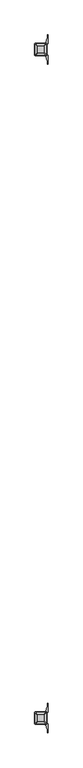
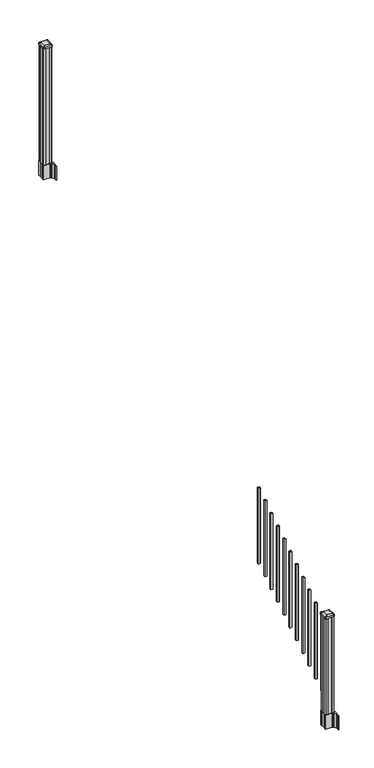
"""IFC4 building model written with IfcOpenShell, lengths in millimetres: railing geometry."""

from ifc_helpers import new_model, si_unit, point, frame, frame_2d, origin, place, context, project, spatial, polyline, circle_curve, trimmed, segment, composite_curve, outline, extrude, source, transform, mapped, element, save
from ifc_brep_helpers import plane_surface, extruded_surface, advanced_brep


def railing_0bd513e0(model_context):
    return source(origin(), model_context, "Body", "SolidModel", [
        extrude(outline(polyline([(10215.1833284, -6514.5004681), (10215.1833284, -6495.4504681), (10234.2333284, -6495.4504681), (10234.2333284, -6514.5004681), (10215.1833284, -6514.5004681)]), holes=[polyline([(10215.5802034, -6514.1035931), (10233.8364534, -6514.1035931), (10233.8364534, -6495.8473431), (10215.5802034, -6495.8473431), (10215.5802034, -6514.1035931)])]), frame((0.0, 0.0, 1020.1233781), z_axis=(0.0, 0.0, 1.0), x_axis=(1.0, 0.0, 0.0)), (0.0, 0.0, 1.0), 812.8041219),
        extrude(outline(polyline([(10215.1833284, -6625.7524681), (10215.1833284, -6606.7024681), (10234.2333284, -6606.7024681), (10234.2333284, -6625.7524681), (10215.1833284, -6625.7524681)]), holes=[polyline([(10215.5802034, -6625.3555931), (10233.8364534, -6625.3555931), (10233.8364534, -6607.0993431), (10215.5802034, -6607.0993431), (10215.5802034, -6625.3555931)])]), frame((0.0, 0.0, 950.5908781), z_axis=(0.0, 0.0, 1.0), x_axis=(1.0, 0.0, 0.0)), (0.0, 0.0, 1.0), 812.8041219),
        extrude(outline(polyline([(10215.1833284, -6737.0044681), (10215.1833284, -6717.9544681), (10234.2333284, -6717.9544681), (10234.2333284, -6737.0044681), (10215.1833284, -6737.0044681)]), holes=[polyline([(10215.5802034, -6736.6075931), (10233.8364534, -6736.6075931), (10233.8364534, -6718.3513431), (10215.5802034, -6718.3513431), (10215.5802034, -6736.6075931)])]), frame((0.0, 0.0, 881.0583781), z_axis=(0.0, 0.0, 1.0), x_axis=(1.0, 0.0, 0.0)), (0.0, 0.0, 1.0), 812.8041219),
        extrude(outline(polyline([(10215.1833284, -6848.2564681), (10215.1833284, -6829.2064681), (10234.2333284, -6829.2064681), (10234.2333284, -6848.2564681), (10215.1833284, -6848.2564681)]), holes=[polyline([(10215.5802034, -6847.8595931), (10233.8364534, -6847.8595931), (10233.8364534, -6829.6033431), (10215.5802034, -6829.6033431), (10215.5802034, -6847.8595931)])]), frame((0.0, 0.0, 811.5258781), z_axis=(0.0, 0.0, 1.0), x_axis=(1.0, 0.0, 0.0)), (0.0, 0.0, 1.0), 812.8041219),
        extrude(outline(polyline([(10215.1833284, -6959.5084681), (10215.1833284, -6940.4584681), (10234.2333284, -6940.4584681), (10234.2333284, -6959.5084681), (10215.1833284, -6959.5084681)]), holes=[polyline([(10215.5802034, -6959.1115931), (10233.8364534, -6959.1115931), (10233.8364534, -6940.8553431), (10215.5802034, -6940.8553431), (10215.5802034, -6959.1115931)])]), frame((0.0, 0.0, 741.9933781), z_axis=(0.0, 0.0, 1.0), x_axis=(1.0, 0.0, 0.0)), (0.0, 0.0, 1.0), 812.8041219),
        extrude(outline(polyline([(10215.1833284, -7070.7604681), (10215.1833284, -7051.7104681), (10234.2333284, -7051.7104681), (10234.2333284, -7070.7604681), (10215.1833284, -7070.7604681)]), holes=[polyline([(10215.5802034, -7070.3635931), (10233.8364534, -7070.3635931), (10233.8364534, -7052.1073431), (10215.5802034, -7052.1073431), (10215.5802034, -7070.3635931)])]), frame((0.0, 0.0, 672.4608781), z_axis=(0.0, 0.0, 1.0), x_axis=(1.0, 0.0, 0.0)), (0.0, 0.0, 1.0), 812.8041219),
        extrude(outline(polyline([(10215.1833284, -7182.0124681), (10215.1833284, -7162.9624681), (10234.2333284, -7162.9624681), (10234.2333284, -7182.0124681), (10215.1833284, -7182.0124681)]), holes=[polyline([(10215.5802034, -7181.6155931), (10233.8364534, -7181.6155931), (10233.8364534, -7163.3593431), (10215.5802034, -7163.3593431), (10215.5802034, -7181.6155931)])]), frame((0.0, 0.0, 602.9283781), z_axis=(0.0, 0.0, 1.0), x_axis=(1.0, 0.0, 0.0)), (0.0, 0.0, 1.0), 812.8041219),
        extrude(outline(polyline([(10215.1833284, -7293.2644681), (10215.1833284, -7274.2144681), (10234.2333284, -7274.2144681), (10234.2333284, -7293.2644681), (10215.1833284, -7293.2644681)]), holes=[polyline([(10215.5802034, -7292.8675931), (10233.8364534, -7292.8675931), (10233.8364534, -7274.6113431), (10215.5802034, -7274.6113431), (10215.5802034, -7292.8675931)])]), frame((0.0, 0.0, 533.3958781), z_axis=(0.0, 0.0, 1.0), x_axis=(1.0, 0.0, 0.0)), (0.0, 0.0, 1.0), 812.8041219),
        extrude(outline(polyline([(10215.1833284, -7404.5164681), (10215.1833284, -7385.4664681), (10234.2333284, -7385.4664681), (10234.2333284, -7404.5164681), (10215.1833284, -7404.5164681)]), holes=[polyline([(10215.5802034, -7404.1195931), (10233.8364534, -7404.1195931), (10233.8364534, -7385.8633431), (10215.5802034, -7385.8633431), (10215.5802034, -7404.1195931)])]), frame((0.0, 0.0, 463.8633781), z_axis=(0.0, 0.0, 1.0), x_axis=(1.0, 0.0, 0.0)), (0.0, 0.0, 1.0), 812.8041219),
        extrude(outline(polyline([(10215.1833284, -7515.7684681), (10215.1833284, -7496.7184681), (10234.2333284, -7496.7184681), (10234.2333284, -7515.7684681), (10215.1833284, -7515.7684681)]), holes=[polyline([(10215.5802034, -7515.3715931), (10233.8364534, -7515.3715931), (10233.8364534, -7497.1153431), (10215.5802034, -7497.1153431), (10215.5802034, -7515.3715931)])]), frame((0.0, 0.0, 394.3308781), z_axis=(0.0, 0.0, 1.0), x_axis=(1.0, 0.0, 0.0)), (0.0, 0.0, 1.0), 812.8041219),
        extrude(outline(polyline([(10215.1833284, -7627.0204681), (10215.1833284, -7607.9704681), (10234.2333284, -7607.9704681), (10234.2333284, -7627.0204681), (10215.1833284, -7627.0204681)]), holes=[polyline([(10215.5802034, -7626.6235931), (10233.8364534, -7626.6235931), (10233.8364534, -7608.3673431), (10215.5802034, -7608.3673431), (10215.5802034, -7626.6235931)])]), frame((0.0, 0.0, 324.7983781), z_axis=(0.0, 0.0, 1.0), x_axis=(1.0, 0.0, 0.0)), (0.0, 0.0, 1.0), 812.8041219),
        extrude(outline(polyline([(10264.3958284, -2792.8924681), (10244.7743284, -2792.8924681), (10244.0123284, -2791.3049681), (10205.4043284, -2791.3049681), (10204.6423284, -2792.8924681), (10185.0208284, -2792.8924681), (10183.4333284, -2791.3049681), (10183.4333284, -2771.6834681), (10185.0208284, -2770.9214681), (10185.0208284, -2732.3134681), (10183.4333284, -2731.5514681), (10183.4333284, -2711.9299681), (10185.0208284, -2710.3424681), (10204.6423284, -2710.3424681), (10205.4043284, -2711.9299681), (10244.0123284, -2711.9299681), (10244.7743284, -2710.3424681), (10264.3958284, -2710.3424681), (10265.9833284, -2711.9299681), (10265.9833284, -2731.5514681), (10264.3958284, -2732.3134681), (10264.3958284, -2770.9214681), (10265.9833284, -2771.6834681), (10265.9833284, -2791.3049681), (10264.3958284, -2792.8924681)])), frame((0.0, 0.0, 3048.0), z_axis=(0.0, 0.0, 1.0), x_axis=(1.0, 0.0, 0.0)), (0.0, 0.0, 1.0), 1247.740513),
        extrude(outline(composite_curve([segment(polyline([(10181.9728284, -2769.003563), (10181.9728284, -2734.2313732), (10180.3853284, -2733.4693732), (10180.3853284, -2710.6674452), (10183.7583054, -2707.2944681), (10245.2179763, -2707.2944681), (10245.2179763, -2706.3737181), (10250.5355201, -2706.3737181), (10250.5355201, -2704.9194634), (10255.6200498, -2704.9194634), (10255.6200498, -2703.6354396), (10257.2873221, -2703.6354396)]), True, "CONTINUOUS"), segment(trimmed(circle_curve(frame_2d((10257.2873221, -2696.5759797)), 7.0594599), [point((10257.2873221, -2703.6354396))], [point((10264.0545849, -2698.5859864))], True, "CARTESIAN"), True, "CONTINUOUS"), segment(polyline([(10264.0545849, -2698.5859864), (10271.9287792, -2672.0752573)]), True, "CONTINUOUS"), segment(trimmed(circle_curve(frame_2d((10217.1442659, -2655.8032076)), 57.15), [point((10271.9287792, -2672.0752573))], [point((10274.2942659, -2655.8032076))], True, "CARTESIAN"), True, "CONTINUOUS"), segment(polyline([(10274.2942659, -2655.8032076), (10274.2942659, -2643.7944681), (10277.2942659, -2643.7944681), (10277.2942659, -2708.8819681), (10269.0313284, -2720.2202594), (10269.0313284, -2733.4693732), (10267.4438284, -2734.2313732), (10267.4438284, -2769.003563), (10269.0313284, -2769.765563), (10269.0313284, -2783.0146768), (10277.2942659, -2794.3529681), (10277.2942659, -2859.4404681), (10274.2942659, -2859.4404681), (10274.2942659, -2847.4317285)]), True, "CONTINUOUS"), segment(trimmed(circle_curve(frame_2d((10217.1442659, -2847.4317285)), 57.15), [point((10274.2942659, -2847.4317285))], [point((10271.9287792, -2831.1596789))], True, "CARTESIAN"), True, "CONTINUOUS"), segment(polyline([(10271.9287792, -2831.1596789), (10264.0545849, -2804.6489498)]), True, "CONTINUOUS"), segment(trimmed(circle_curve(frame_2d((10257.2873221, -2806.6589565)), 7.0594599), [point((10264.0545849, -2804.6489498))], [point((10257.2873221, -2799.5994966))], True, "CARTESIAN"), True, "CONTINUOUS"), segment(polyline([(10257.2873221, -2799.5994966), (10255.6200498, -2799.5994966), (10255.6200498, -2798.3154728), (10250.5355201, -2798.3154728), (10250.5355201, -2796.8612181), (10245.2179763, -2796.8612181), (10245.2179763, -2795.9404681), (10183.7583054, -2795.9404681), (10180.3853284, -2792.567491), (10180.3853284, -2769.765563), (10181.9728284, -2769.003563)]), True, "CONTINUOUS")], self_intersect=False), holes=[polyline([(10265.9833284, -2711.9299681), (10264.3958284, -2710.3424681), (10227.4715458, -2710.3424681), (10185.0208284, -2710.3424681), (10183.4333284, -2711.9299681), (10183.4333284, -2791.3049681), (10185.0208284, -2792.8924681), (10227.4715458, -2792.8924681), (10264.3958284, -2792.8924681), (10265.9833284, -2791.3049681), (10265.9833284, -2711.9299681)])]), frame((0.0, 0.0, 2895.6), z_axis=(0.0, 0.0, 1.0), x_axis=(1.0, 0.0, 0.0)), (0.0, 0.0, 1.0), 152.4),
        advanced_brep(
        [(10250.5052034, -2780.5893431, 4324.315513), (10253.6802034, -2777.4143431, 4324.315513), (10253.6802034, -2725.8205931, 4324.315513), (10250.5052034, -2722.6455931, 4324.315513), (10198.9114534, -2722.6455931, 4324.315513), (10195.7364534, -2725.8205931, 4324.315513), (10195.7364534, -2777.4143431, 4324.315513), (10198.9114534, -2780.5893431, 4324.315513), (10266.7770784, -2796.8612181, 4313.012513), (10182.6395784, -2796.8612181, 4313.012513), (10179.4645784, -2793.6862181, 4313.012513), (10179.4645784, -2709.5487181, 4313.012513), (10182.6395784, -2706.3737181, 4313.012513), (10266.7770784, -2706.3737181, 4313.012513), (10269.9520784, -2709.5487181, 4313.012513), (10269.9520784, -2793.6862181, 4313.012513)],
        [
            (0, 1, circle_curve(frame((10250.5052034, -2777.4143431, 4324.315513), z_axis=(0.0, 0.0, 1.0), x_axis=(0.0, 1.0, 0.0)), 3.175)),
            (1, 2),
            (2, 3, circle_curve(frame((10250.5052034, -2725.8205931, 4324.315513), z_axis=(0.0, 0.0, 1.0), x_axis=(0.0, 1.0, 0.0)), 3.175)),
            (3, 4),
            (4, 5, circle_curve(frame((10198.9114534, -2725.8205931, 4324.315513), z_axis=(0.0, 0.0, 1.0), x_axis=(0.0, 1.0, 0.0)), 3.175)),
            (5, 6),
            (6, 7, circle_curve(frame((10198.9114534, -2777.4143431, 4324.315513), z_axis=(0.0, 0.0, 1.0), x_axis=(0.0, 1.0, 0.0)), 3.175)),
            (7, 0),
            (8, 9),
            (9, 10, circle_curve(frame((10182.6395784, -2793.6862181, 4313.012513), z_axis=(0.0, 0.0, -1.0), x_axis=(0.0, 1.0, 0.0)), 3.175)),
            (10, 11),
            (11, 12, circle_curve(frame((10182.6395784, -2709.5487181, 4313.012513), z_axis=(0.0, 0.0, -1.0), x_axis=(0.0, 1.0, 0.0)), 3.175)),
            (12, 13),
            (13, 14, circle_curve(frame((10266.7770784, -2709.5487181, 4313.012513), z_axis=(0.0, 0.0, -1.0), x_axis=(0.0, 1.0, 0.0)), 3.175)),
            (14, 15),
            (15, 8, circle_curve(frame((10266.7770784, -2793.6862181, 4313.012513), z_axis=(0.0, 0.0, -1.0), x_axis=(0.0, 1.0, 0.0)), 3.175)),
            (15, 1),
            (0, 8),
            (14, 2),
            (13, 3),
            (12, 4),
            (11, 5),
            (10, 6),
            (9, 7),
        ],
        [
            plane_surface(frame((10224.7083284, -2751.6174681, 4324.315513), z_axis=(0.0, 0.0, 1.0), x_axis=(1.0, 0.0, 0.0))),
            plane_surface(frame((10224.7083284, -2751.6174681, 4313.012513), z_axis=(0.0, 0.0, -1.0), x_axis=(1.0, 0.0, 0.0))),
            extruded_surface(trimmed(circle_curve(frame((10266.7770784, -2793.6862181, 4313.012513), z_axis=(0.0, 0.0, 1.0), x_axis=(0.0, 1.0, 0.0)), 3.175), [point((10266.7770784, -2796.8612181, 4313.012513))], [point((10269.9520784, -2793.6862181, 4313.012513))], True, "CARTESIAN"), (-16.271875000000364, 16.27187499999991, 11.302999999999884), 25.637972638866284),
            plane_surface(frame((10269.9520784, -2751.6174681, 4313.012513), z_axis=(0.5705009161540687, 0.0, 0.8212969649690472), x_axis=(0.0, 1.0, 0.0))),
            extruded_surface(trimmed(circle_curve(frame((10266.7770784, -2709.5487181, 4313.012513), z_axis=(0.0, 0.0, 1.0), x_axis=(0.0, 1.0, 0.0)), 3.175), [point((10269.9520784, -2709.5487181, 4313.012513))], [point((10266.7770784, -2706.3737181, 4313.012513))], True, "CARTESIAN"), (-16.271875000000364, -16.271875000000364, 11.302999999999884), 25.63797263886657),
            plane_surface(frame((10224.7083284, -2706.3737181, 4313.012513), z_axis=(0.0, 0.5705009161540291, 0.8212969649690747), x_axis=(-1.0, 0.0, 0.0))),
            extruded_surface(trimmed(circle_curve(frame((10182.6395784, -2709.5487181, 4313.012513), z_axis=(0.0, 0.0, 1.0), x_axis=(0.0, 1.0, 0.0)), 3.175), [point((10182.6395784, -2706.3737181, 4313.012513))], [point((10179.4645784, -2709.5487181, 4313.012513))], True, "CARTESIAN"), (16.271875000000364, -16.271875000000364, 11.302999999999884), 25.63797263886657),
            plane_surface(frame((10179.4645784, -2751.6174681, 4313.012513), z_axis=(-0.5705009161540233, 0.0, 0.8212969649690787), x_axis=(0.0, -1.0, 0.0))),
            extruded_surface(trimmed(circle_curve(frame((10182.6395784, -2793.6862181, 4313.012513), z_axis=(0.0, 0.0, 1.0), x_axis=(0.0, 1.0, 0.0)), 3.175), [point((10179.4645784, -2793.6862181, 4313.012513))], [point((10182.6395784, -2796.8612181, 4313.012513))], True, "CARTESIAN"), (16.271875000000364, 16.27187499999991, 11.302999999999884), 25.637972638866284),
            plane_surface(frame((10224.7083284, -2796.8612181, 4313.012513), z_axis=(0.0, -0.570500916154034, 0.8212969649690713), x_axis=(1.0, 0.0, 0.0))),
        ],
        [
            (0, [[1, 2, 3, 4, 5, 6, 7, 8]]),
            (1, [[9, 10, 11, 12, 13, 14, 15, 16]]),
            (2, [[-16, 17, -1, 18]]),
            (3, [[-15, 19, -2, -17]]),
            (4, [[-14, 20, -3, -19]]),
            (5, [[-13, 21, -4, -20]]),
            (6, [[-12, 22, -5, -21]]),
            (7, [[-11, 23, -6, -22]]),
            (8, [[-10, 24, -7, -23]]),
            (9, [[-9, -18, -8, -24]]),
        ],
    ),
        extrude(outline(composite_curve([segment(polyline([(10266.7770784, -2796.8612181), (10182.6395784, -2796.8612181)]), True, "CONTINUOUS"), segment(trimmed(circle_curve(frame_2d((10182.6395784, -2793.6862181)), 3.175), [point((10182.6395784, -2796.8612181))], [point((10179.4645784, -2793.6862181))], False, "CARTESIAN"), True, "CONTINUOUS"), segment(polyline([(10179.4645784, -2793.6862181), (10179.4645784, -2709.5487181)]), True, "CONTINUOUS"), segment(trimmed(circle_curve(frame_2d((10182.6395784, -2709.5487181)), 3.175), [point((10179.4645784, -2709.5487181))], [point((10182.6395784, -2706.3737181))], False, "CARTESIAN"), True, "CONTINUOUS"), segment(polyline([(10182.6395784, -2706.3737181), (10266.7770784, -2706.3737181)]), True, "CONTINUOUS"), segment(trimmed(circle_curve(frame_2d((10266.7770784, -2709.5487181)), 3.175), [point((10266.7770784, -2706.3737181))], [point((10269.9520784, -2709.5487181))], False, "CARTESIAN"), True, "CONTINUOUS"), segment(polyline([(10269.9520784, -2709.5487181), (10269.9520784, -2793.6862181)]), True, "CONTINUOUS"), segment(trimmed(circle_curve(frame_2d((10266.7770784, -2793.6862181)), 3.175), [point((10269.9520784, -2793.6862181))], [point((10266.7770784, -2796.8612181))], False, "CARTESIAN"), True, "CONTINUOUS")], self_intersect=False)), frame((0.0, 0.0, 4295.740513), z_axis=(0.0, 0.0, 1.0), x_axis=(1.0, 0.0, 0.0)), (0.0, 0.0, 1.0), 17.272),
        extrude(outline(composite_curve([segment(polyline([(10181.9728284, -7728.607563), (10181.9728284, -7693.8353732), (10180.3853284, -7693.0733732), (10180.3853284, -7670.2714452), (10183.7583054, -7666.8984681), (10245.2179763, -7666.8984681), (10245.2179763, -7665.9777181), (10250.5355201, -7665.9777181), (10250.5355201, -7664.5234634), (10255.6200498, -7664.5234634), (10255.6200498, -7663.2394396), (10257.2873221, -7663.2394396)]), True, "CONTINUOUS"), segment(trimmed(circle_curve(frame_2d((10257.2873221, -7656.1799797)), 7.0594599), [point((10257.2873221, -7663.2394396))], [point((10264.0545849, -7658.1899864))], True, "CARTESIAN"), True, "CONTINUOUS"), segment(polyline([(10264.0545849, -7658.1899864), (10271.9287792, -7631.6792573)]), True, "CONTINUOUS"), segment(trimmed(circle_curve(frame_2d((10217.1442659, -7615.4072076)), 57.15), [point((10271.9287792, -7631.6792573))], [point((10274.2942659, -7615.4072076))], True, "CARTESIAN"), True, "CONTINUOUS"), segment(polyline([(10274.2942659, -7615.4072076), (10274.2942659, -7603.3984681), (10277.2942659, -7603.3984681), (10277.2942659, -7668.4859681), (10269.0313284, -7679.8242594), (10269.0313284, -7693.0733732), (10267.4438284, -7693.8353732), (10267.4438284, -7728.607563), (10269.0313284, -7729.369563), (10269.0313284, -7742.6186768), (10277.2942659, -7753.9569681), (10277.2942659, -7819.0444681), (10274.2942659, -7819.0444681), (10274.2942659, -7807.0357285)]), True, "CONTINUOUS"), segment(trimmed(circle_curve(frame_2d((10217.1442659, -7807.0357285)), 57.15), [point((10274.2942659, -7807.0357285))], [point((10271.9287792, -7790.7636789))], True, "CARTESIAN"), True, "CONTINUOUS"), segment(polyline([(10271.9287792, -7790.7636789), (10264.0545849, -7764.2529498)]), True, "CONTINUOUS"), segment(trimmed(circle_curve(frame_2d((10257.2873221, -7766.2629565)), 7.0594599), [point((10264.0545849, -7764.2529498))], [point((10257.2873221, -7759.2034966))], True, "CARTESIAN"), True, "CONTINUOUS"), segment(polyline([(10257.2873221, -7759.2034966), (10255.6200498, -7759.2034966), (10255.6200498, -7757.9194728), (10250.5355201, -7757.9194728), (10250.5355201, -7756.4652181), (10245.2179763, -7756.4652181), (10245.2179763, -7755.5444681), (10183.7583054, -7755.5444681), (10180.3853284, -7752.171491), (10180.3853284, -7729.369563), (10181.9728284, -7728.607563)]), True, "CONTINUOUS")], self_intersect=False), holes=[polyline([(10265.9833284, -7671.5339681), (10264.3958284, -7669.9464681), (10227.4715458, -7669.9464681), (10185.0208284, -7669.9464681), (10183.4333284, -7671.5339681), (10183.4333284, -7750.9089681), (10185.0208284, -7752.4964681), (10227.4715458, -7752.4964681), (10264.3958284, -7752.4964681), (10265.9833284, -7750.9089681), (10265.9833284, -7671.5339681)])]), frame((0.0, 0.0, 12.22375), z_axis=(0.0, 0.0, 1.0), x_axis=(1.0, 0.0, 0.0)), (0.0, 0.0, 1.0), 152.4),
        advanced_brep(
        [(10250.5052034, -7740.1933431, 1224.563013), (10253.6802034, -7737.0183431, 1224.563013), (10253.6802034, -7685.4245931, 1224.563013), (10250.5052034, -7682.2495931, 1224.563013), (10198.9114534, -7682.2495931, 1224.563013), (10195.7364534, -7685.4245931, 1224.563013), (10195.7364534, -7737.0183431, 1224.563013), (10198.9114534, -7740.1933431, 1224.563013), (10266.7770784, -7756.4652181, 1213.260013), (10182.6395784, -7756.4652181, 1213.260013), (10179.4645784, -7753.2902181, 1213.260013), (10179.4645784, -7669.1527181, 1213.260013), (10182.6395784, -7665.9777181, 1213.260013), (10266.7770784, -7665.9777181, 1213.260013), (10269.9520784, -7669.1527181, 1213.260013), (10269.9520784, -7753.2902181, 1213.260013)],
        [
            (0, 1, circle_curve(frame((10250.5052034, -7737.0183431, 1224.563013), z_axis=(0.0, 0.0, 1.0), x_axis=(0.0, 1.0, 0.0)), 3.175)),
            (1, 2),
            (2, 3, circle_curve(frame((10250.5052034, -7685.4245931, 1224.563013), z_axis=(0.0, 0.0, 1.0), x_axis=(0.0, 1.0, 0.0)), 3.175)),
            (3, 4),
            (4, 5, circle_curve(frame((10198.9114534, -7685.4245931, 1224.563013), z_axis=(0.0, 0.0, 1.0), x_axis=(0.0, 1.0, 0.0)), 3.175)),
            (5, 6),
            (6, 7, circle_curve(frame((10198.9114534, -7737.0183431, 1224.563013), z_axis=(0.0, 0.0, 1.0), x_axis=(0.0, 1.0, 0.0)), 3.175)),
            (7, 0),
            (8, 9),
            (9, 10, circle_curve(frame((10182.6395784, -7753.2902181, 1213.260013), z_axis=(0.0, 0.0, -1.0), x_axis=(0.0, 1.0, 0.0)), 3.175)),
            (10, 11),
            (11, 12, circle_curve(frame((10182.6395784, -7669.1527181, 1213.260013), z_axis=(0.0, 0.0, -1.0), x_axis=(0.0, 1.0, 0.0)), 3.175)),
            (12, 13),
            (13, 14, circle_curve(frame((10266.7770784, -7669.1527181, 1213.260013), z_axis=(0.0, 0.0, -1.0), x_axis=(0.0, 1.0, 0.0)), 3.175)),
            (14, 15),
            (15, 8, circle_curve(frame((10266.7770784, -7753.2902181, 1213.260013), z_axis=(0.0, 0.0, -1.0), x_axis=(0.0, 1.0, 0.0)), 3.175)),
            (15, 1),
            (0, 8),
            (14, 2),
            (13, 3),
            (12, 4),
            (11, 5),
            (10, 6),
            (9, 7),
        ],
        [
            plane_surface(frame((10224.7083284, -7711.2214681, 1224.563013), z_axis=(0.0, 0.0, 1.0), x_axis=(1.0, 0.0, 0.0))),
            plane_surface(frame((10224.7083284, -7711.2214681, 1213.260013), z_axis=(0.0, 0.0, -1.0), x_axis=(1.0, 0.0, 0.0))),
            extruded_surface(trimmed(circle_curve(frame((10266.7770784, -7753.2902181, 1213.260013), z_axis=(0.0, 0.0, 1.0), x_axis=(0.0, 1.0, 0.0)), 3.175), [point((10266.7770784, -7756.4652181, 1213.260013))], [point((10269.9520784, -7753.2902181, 1213.260013))], True, "CARTESIAN"), (-16.271875000000364, 16.271875000000364, 11.302999999999884), 25.63797263886657),
            plane_surface(frame((10269.9520784, -7711.2214681, 1213.260013), z_axis=(0.5705009161540778, 0.0, 0.8212969649690408), x_axis=(0.0, 1.0, 0.0))),
            extruded_surface(trimmed(circle_curve(frame((10266.7770784, -7669.1527181, 1213.260013), z_axis=(0.0, 0.0, 1.0), x_axis=(0.0, 1.0, 0.0)), 3.175), [point((10269.9520784, -7669.1527181, 1213.260013))], [point((10266.7770784, -7665.9777181, 1213.260013))], True, "CARTESIAN"), (-16.271875000000364, -16.271874999999454, 11.302999999999884), 25.637972638865996),
            plane_surface(frame((10224.7083284, -7665.9777181, 1213.260013), z_axis=(0.0, 0.5705009161540291, 0.8212969649690747), x_axis=(-1.0, 0.0, 0.0))),
            extruded_surface(trimmed(circle_curve(frame((10182.6395784, -7669.1527181, 1213.260013), z_axis=(0.0, 0.0, 1.0), x_axis=(0.0, 1.0, 0.0)), 3.175), [point((10182.6395784, -7665.9777181, 1213.260013))], [point((10179.4645784, -7669.1527181, 1213.260013))], True, "CARTESIAN"), (16.271875000000364, -16.271874999999454, 11.302999999999884), 25.637972638865996),
            plane_surface(frame((10179.4645784, -7711.2214681, 1213.260013), z_axis=(-0.5705009161540142, 0.0, 0.8212969649690851), x_axis=(0.0, -1.0, 0.0))),
            extruded_surface(trimmed(circle_curve(frame((10182.6395784, -7753.2902181, 1213.260013), z_axis=(0.0, 0.0, 1.0), x_axis=(0.0, 1.0, 0.0)), 3.175), [point((10179.4645784, -7753.2902181, 1213.260013))], [point((10182.6395784, -7756.4652181, 1213.260013))], True, "CARTESIAN"), (16.271875000000364, 16.271875000000364, 11.302999999999884), 25.63797263886657),
            plane_surface(frame((10224.7083284, -7756.4652181, 1213.260013), z_axis=(0.0, -0.570500916154034, 0.8212969649690713), x_axis=(1.0, 0.0, 0.0))),
        ],
        [
            (0, [[1, 2, 3, 4, 5, 6, 7, 8]]),
            (1, [[9, 10, 11, 12, 13, 14, 15, 16]]),
            (2, [[-16, 17, -1, 18]]),
            (3, [[-15, 19, -2, -17]]),
            (4, [[-14, 20, -3, -19]]),
            (5, [[-13, 21, -4, -20]]),
            (6, [[-12, 22, -5, -21]]),
            (7, [[-11, 23, -6, -22]]),
            (8, [[-10, 24, -7, -23]]),
            (9, [[-9, -18, -8, -24]]),
        ],
    ),
        extrude(outline(composite_curve([segment(polyline([(10266.7770784, -7756.4652181), (10182.6395784, -7756.4652181)]), True, "CONTINUOUS"), segment(trimmed(circle_curve(frame_2d((10182.6395784, -7753.2902181)), 3.175), [point((10182.6395784, -7756.4652181))], [point((10179.4645784, -7753.2902181))], False, "CARTESIAN"), True, "CONTINUOUS"), segment(polyline([(10179.4645784, -7753.2902181), (10179.4645784, -7669.1527181)]), True, "CONTINUOUS"), segment(trimmed(circle_curve(frame_2d((10182.6395784, -7669.1527181)), 3.175), [point((10179.4645784, -7669.1527181))], [point((10182.6395784, -7665.9777181))], False, "CARTESIAN"), True, "CONTINUOUS"), segment(polyline([(10182.6395784, -7665.9777181), (10266.7770784, -7665.9777181)]), True, "CONTINUOUS"), segment(trimmed(circle_curve(frame_2d((10266.7770784, -7669.1527181)), 3.175), [point((10266.7770784, -7665.9777181))], [point((10269.9520784, -7669.1527181))], False, "CARTESIAN"), True, "CONTINUOUS"), segment(polyline([(10269.9520784, -7669.1527181), (10269.9520784, -7753.2902181)]), True, "CONTINUOUS"), segment(trimmed(circle_curve(frame_2d((10266.7770784, -7753.2902181)), 3.175), [point((10269.9520784, -7753.2902181))], [point((10266.7770784, -7756.4652181))], False, "CARTESIAN"), True, "CONTINUOUS")], self_intersect=False)), frame((0.0, 0.0, 1195.988013), z_axis=(0.0, 0.0, 1.0), x_axis=(1.0, 0.0, 0.0)), (0.0, 0.0, 1.0), 17.272),
        extrude(outline(polyline([(10264.3958284, -7752.4964681), (10244.7743284, -7752.4964681), (10244.0123284, -7750.9089681), (10205.4043284, -7750.9089681), (10204.6423284, -7752.4964681), (10185.0208284, -7752.4964681), (10183.4333284, -7750.9089681), (10183.4333284, -7731.2874681), (10185.0208284, -7730.5254681), (10185.0208284, -7691.9174681), (10183.4333284, -7691.1554681), (10183.4333284, -7671.5339681), (10185.0208284, -7669.9464681), (10204.6423284, -7669.9464681), (10205.4043284, -7671.5339681), (10244.0123284, -7671.5339681), (10244.7743284, -7669.9464681), (10264.3958284, -7669.9464681), (10265.9833284, -7671.5339681), (10265.9833284, -7691.1554681), (10264.3958284, -7691.9174681), (10264.3958284, -7730.5254681), (10265.9833284, -7731.2874681), (10265.9833284, -7750.9089681), (10264.3958284, -7752.4964681)])), frame((0.0, 0.0, 164.62375), z_axis=(0.0, 0.0, 1.0), x_axis=(1.0, 0.0, 0.0)), (0.0, 0.0, 1.0), 1031.364263),
    ])


if __name__ == "__main__":
    model = new_model("IFC4")
    model_context = context("Model", 3, world=origin())
    ifc_project = project(units=[si_unit("LENGTHUNIT", "METRE", prefix="MILLI")], contexts=[model_context])
    site = spatial("IfcSite", under=ifc_project)
    building = spatial("IfcBuilding", under=site)
    placement = place(None, origin())
    railing_shape = railing_0bd513e0(model_context)
    element("IfcRailing", 1, at=placement, inside=building, context=model_context, shape_type="MappedRepresentation", body=[
        mapped(railing_shape, transform((0.0, 0.0, 0.0), x_axis=(1.0, 0.0, 0.0), y_axis=(0.0, 1.0, 0.0), z_axis=(0.0, 0.0, 1.0))),
    ])
    save(model, "model.ifc")
